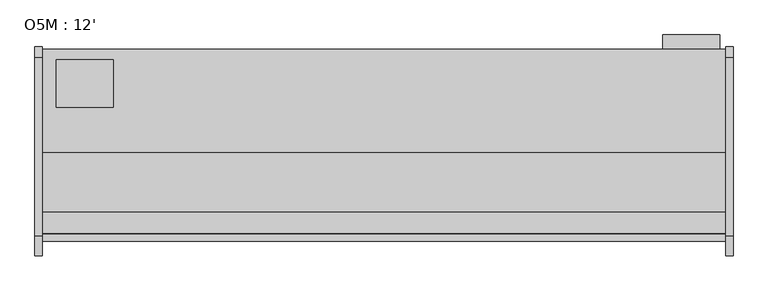
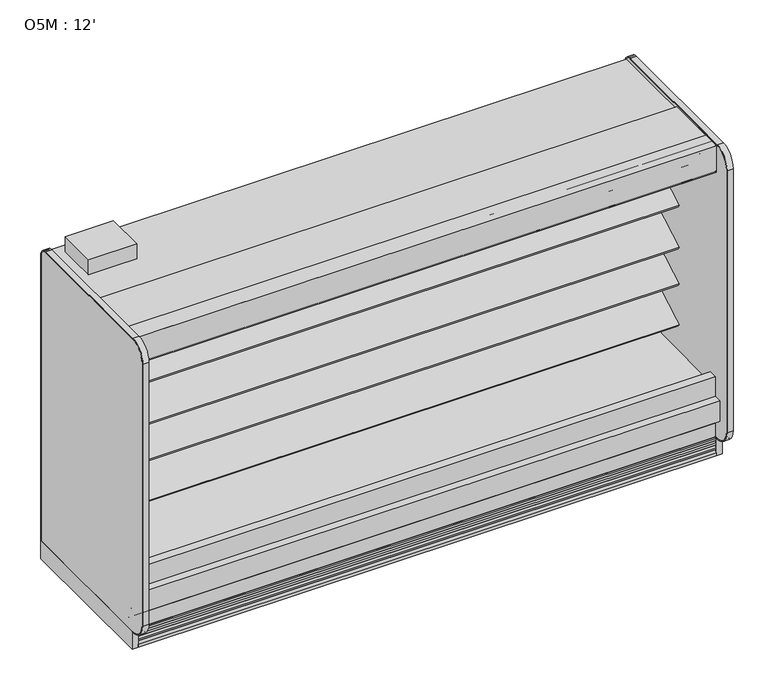
"""IFC4 building model written with IfcOpenShell, lengths in millimetres: proxy geometry, O5M : 12'."""

from ifc_helpers import new_model, si_unit, point, frame, frame_2d, origin, origin_with_axes, place, context, project, spatial, polyline, circle_curve, trimmed, segment, composite_curve, outline, extrude, faceted_brep, source, transform, mapped, element, save
from ifc_brep_helpers import plane_surface, cylinder_surface, revolved_surface, advanced_brep


def o5m_12_23f2ca45(model_context):
    return source(origin(), model_context, "Body", "SolidModel", [
        extrude(outline(polyline([(3624.4746572, -325.3089273), (3624.4746572, -401.5089273), (3319.6156609, -401.5089273), (3319.6156609, -325.3089273), (3624.4746572, -325.3089273)])), frame((0.0, 0.0, 487.7641214), z_axis=(0.0, 0.0, 1.0), x_axis=(1.0, 0.0, 0.0)), (0.0, 0.0, 1.0), 1371.6),
        extrude(outline(polyline([(381.0, -458.6589273), (381.0, -712.6589273), (76.2, -712.6589273), (76.2, -458.6589273), (381.0, -458.6589273)])), frame((0.0, 0.0, 2053.8264246), z_axis=(0.0, 0.0, 1.0), x_axis=(1.0, 0.0, 0.0)), (0.0, 0.0, 1.0), 101.6),
        extrude(outline(composite_curve([segment(polyline([(-1223.3628541, 1962.3210235), (-1255.895115, 1950.4802489)]), True, "CONTINUOUS"), segment(trimmed(circle_curve(frame_2d((-1256.3757176, 1951.8006938)), 1.4051881), [point((-1255.895115, 1950.4802489))], [point((-1256.9695758, 1950.5271609))], False, "CARTESIAN"), True, "CONTINUOUS"), segment(polyline([(-1256.9695758, 1950.5271609), (-1280.8329852, 1961.6548515)]), True, "CONTINUOUS"), segment(trimmed(circle_curve(frame_2d((-1281.445949, 1960.3403465)), 1.4503958), [point((-1280.8329852, 1961.6548515))], [point((-1281.7308358, 1961.7624883))], True, "CARTESIAN"), True, "CONTINUOUS"), segment(polyline([(-1281.7308358, 1961.7624883), (-1385.7279137, 1933.8965553), (-1386.0503089, 1932.9043249), (-1386.0503089, 1919.5570618), (-1386.9647089, 1919.5570618), (-1386.9647089, 1903.1893853)]), True, "CONTINUOUS"), segment(trimmed(circle_curve(frame_2d((-1385.3772089, 1903.1893853)), 1.5875), [point((-1386.9647089, 1903.1893853))], [point((-1385.8940483, 1901.6883745))], True, "CARTESIAN"), True, "CONTINUOUS"), segment(polyline([(-1385.8940483, 1901.6883745), (-1375.7025605, 1898.1791638)]), True, "CONTINUOUS"), segment(trimmed(circle_curve(frame_2d((-1375.1857211, 1899.6801746)), 1.5875), [point((-1375.7025605, 1898.1791638))], [point((-1374.0631891, 1898.5576426))], True, "CARTESIAN"), True, "CONTINUOUS"), segment(polyline([(-1374.0631891, 1898.5576426), (-1370.6686523, 1901.9521794), (-1370.1043685, 1901.3878956), (-1373.6142806, 1898.1085254)]), True, "CONTINUOUS"), segment(trimmed(circle_curve(frame_2d((-1375.1856584, 1899.6799031)), 2.2222637), [point((-1373.6142806, 1898.1085254))], [point((-1375.9092963, 1897.5787596))], False, "CARTESIAN"), True, "CONTINUOUS"), segment(polyline([(-1375.9092963, 1897.5787596), (-1386.1540366, 1901.1070681)]), True, "CONTINUOUS"), segment(trimmed(circle_curve(frame_2d((-1385.3772089, 1903.1893853)), 2.2225), [point((-1386.1540366, 1901.1070681))], [point((-1387.5997089, 1903.1893853))], False, "CARTESIAN"), True, "CONTINUOUS"), segment(polyline([(-1387.5997089, 1903.1893853), (-1387.5997089, 2005.4901368), (-1352.415, 2053.8264246), (-1280.5248155, 2053.8264246), (-1280.5248155, 2003.6360246), (-1220.831024, 2003.6360246), (-1220.831024, 1914.23035)]), True, "CONTINUOUS"), segment(trimmed(circle_curve(frame_2d((-1218.9441858, 1914.23035)), 1.8868382), [point((-1220.831024, 1914.23035))], [point((-1219.3143335, 1912.3801746))], True, "CARTESIAN"), True, "CONTINUOUS"), segment(polyline([(-1219.3143335, 1912.3801746), (-1211.3098155, 1912.3801746), (-1211.3098155, 1911.5761369), (-1220.1967179, 1911.5761369)]), True, "CONTINUOUS"), segment(trimmed(circle_curve(frame_2d((-1220.1967179, 1913.8074915)), 2.2313546), [point((-1220.1967179, 1911.5761369))], [point((-1222.4223155, 1913.9676746))], False, "CARTESIAN"), True, "CONTINUOUS"), segment(polyline([(-1222.4223155, 1913.9676746), (-1222.4223155, 1917.7806084), (-1223.2619623, 1917.5556257), (-1229.5259839, 1917.5556257), (-1229.5259839, 1918.4700257), (-1223.4631915, 1918.4700257), (-1222.7791089, 1918.864981), (-1222.7791089, 1961.9122807)]), True, "CONTINUOUS"), segment(trimmed(circle_curve(frame_2d((-1223.2140839, 1961.9122807)), 0.434975), [point((-1222.7791089, 1961.9122807))], [point((-1223.3628541, 1962.3210235))], True, "CARTESIAN"), True, "CONTINUOUS")], self_intersect=False)), frame((0.0, 0.0, 0.0), z_axis=(1.0, 0.0, 0.0), x_axis=(0.0, 1.0, 0.0)), (0.0, 0.0, 1.0), 3657.6),
        extrude(outline(composite_curve([segment(polyline([(-1272.4996089, 2072.8764246), (-1272.4996089, 2072.0890246), (-1386.8059589, 2072.0890246)]), True, "CONTINUOUS"), segment(trimmed(circle_curve(frame_2d((-1386.8059589, 2071.2952746)), 0.79375), [point((-1386.8059589, 2072.0890246))], [point((-1387.5997089, 2071.2952746))], True, "CARTESIAN"), True, "CONTINUOUS"), segment(polyline([(-1387.5997089, 2071.2952746), (-1387.5997089, 1896.6893246)]), True, "CONTINUOUS"), segment(trimmed(circle_curve(frame_2d((-1386.8059589, 1896.6893246)), 0.79375), [point((-1387.5997089, 1896.6893246))], [point((-1386.8059589, 1895.8955746))], True, "CARTESIAN"), True, "CONTINUOUS"), segment(polyline([(-1386.8059589, 1895.8955746), (-1363.7745089, 1895.8955746)]), True, "CONTINUOUS"), segment(trimmed(circle_curve(frame_2d((-1363.7745089, 1896.6893246)), 0.79375), [point((-1363.7745089, 1895.8955746))], [point((-1362.9807589, 1896.6893246))], True, "CARTESIAN"), True, "CONTINUOUS"), segment(polyline([(-1362.9807589, 1896.6893246), (-1362.9807589, 1907.8081746), (-1362.1933589, 1907.8081746), (-1362.1933589, 1896.6893246)]), True, "CONTINUOUS"), segment(trimmed(circle_curve(frame_2d((-1363.7745089, 1896.6893246)), 1.58115), [point((-1362.1933589, 1896.6893246))], [point((-1363.7745089, 1895.1081746))], False, "CARTESIAN"), True, "CONTINUOUS"), segment(polyline([(-1363.7745089, 1895.1081746), (-1386.8059589, 1895.1081746)]), True, "CONTINUOUS"), segment(trimmed(circle_curve(frame_2d((-1386.8059589, 1896.6893246)), 1.58115), [point((-1386.8059589, 1895.1081746))], [point((-1388.3871089, 1896.6893246))], False, "CARTESIAN"), True, "CONTINUOUS"), segment(polyline([(-1388.3871089, 1896.6893246), (-1388.3871089, 2071.2952746)]), True, "CONTINUOUS"), segment(trimmed(circle_curve(frame_2d((-1386.8059589, 2071.2952746)), 1.58115), [point((-1388.3871089, 2071.2952746))], [point((-1386.8059589, 2072.8764246))], False, "CARTESIAN"), True, "CONTINUOUS"), segment(polyline([(-1386.8059589, 2072.8764246), (-1272.4996089, 2072.8764246)]), True, "CONTINUOUS")], self_intersect=False)), frame((0.0, 0.0, 0.0), z_axis=(1.0, 0.0, 0.0), x_axis=(0.0, 1.0, 0.0)), (0.0, 0.0, 1.0), 3657.6),
        extrude(outline(composite_curve([segment(trimmed(circle_curve(frame_2d((3458.1213661, -1128.5839273)), 12.7), [point((3445.4213661, -1128.5839273))], [point((3470.8213661, -1128.5839273))], False, "CARTESIAN"), True, "CONTINUOUS"), segment(trimmed(circle_curve(frame_2d((3458.1213661, -1128.5839273)), 12.7), [point((3470.8213661, -1128.5839273))], [point((3445.4213661, -1128.5839273))], False, "CARTESIAN"), True, "CONTINUOUS")], self_intersect=False)), frame((0.0, 0.0, 66.7090149), z_axis=(0.0, 0.0, 1.0), x_axis=(1.0, 0.0, 0.0)), (0.0, 0.0, 1.0), 57.1159851),
        extrude(outline(composite_curve([segment(trimmed(circle_curve(frame_2d((3408.6446927, -1128.5839273)), 9.525), [point((3399.1196927, -1128.5839273))], [point((3418.1696927, -1128.5839273))], False, "CARTESIAN"), True, "CONTINUOUS"), segment(trimmed(circle_curve(frame_2d((3408.6446927, -1128.5839273)), 9.525), [point((3418.1696927, -1128.5839273))], [point((3399.1196927, -1128.5839273))], False, "CARTESIAN"), True, "CONTINUOUS")], self_intersect=False)), frame((0.0, 0.0, 66.7090149), z_axis=(0.0, 0.0, 1.0), x_axis=(1.0, 0.0, 0.0)), (0.0, 0.0, 1.0), 57.1159851),
        extrude(outline(composite_curve([segment(polyline([(-504.9331995, 1155.9321635), (-504.9331995, 1090.8241822), (-525.0625548, 1079.2024935)]), True, "CONTINUOUS"), segment(trimmed(circle_curve(frame_2d((-538.1347002, 1100.9804414)), 25.4), [point((-525.0625548, 1079.2024935))], [point((-542.0987552, 1075.8916737))], False, "CARTESIAN"), True, "CONTINUOUS"), segment(polyline([(-542.0987552, 1075.8916737), (-564.7817265, 1079.47561)]), True, "CONTINUOUS"), segment(trimmed(circle_curve(frame_2d((-574.6918641, 1016.7536906)), 63.5), [point((-564.7817265, 1079.47561))], [point((-599.3555643, 1075.2682349))], True, "CARTESIAN"), True, "CONTINUOUS"), segment(polyline([(-599.3555643, 1075.2682349), (-848.9833062, 958.5086882), (-851.9929005, 960.7439055), (-975.1938258, 889.6138181), (-982.3058258, 901.9321635), (-542.3649207, 1155.9321635), (-504.9331995, 1155.9321635)]), True, "CONTINUOUS")], self_intersect=False)), frame((0.0, 0.0, 0.0), z_axis=(1.0, 0.0, 0.0), x_axis=(0.0, 1.0, 0.0)), (0.0, 0.0, 1.0), 3657.6),
        extrude(outline(composite_curve([segment(polyline([(-504.9331995, 883.8140898), (-504.9331995, 818.7061085), (-525.0625548, 807.0844198)]), True, "CONTINUOUS"), segment(trimmed(circle_curve(frame_2d((-538.1347002, 828.8623677)), 25.4), [point((-525.0625548, 807.0844198))], [point((-542.0987552, 803.7736))], False, "CARTESIAN"), True, "CONTINUOUS"), segment(polyline([(-542.0987552, 803.7736), (-564.7817265, 807.3575363)]), True, "CONTINUOUS"), segment(trimmed(circle_curve(frame_2d((-574.6918641, 744.6356169)), 63.5), [point((-564.7817265, 807.3575363))], [point((-599.3555643, 803.1501612))], True, "CARTESIAN"), True, "CONTINUOUS"), segment(polyline([(-599.3555643, 803.1501612), (-848.9833062, 686.3906146), (-851.9929005, 688.6258319), (-975.1938258, 617.4957444), (-982.3058258, 629.8140898), (-542.3649207, 883.8140898), (-504.9331995, 883.8140898)]), True, "CONTINUOUS")], self_intersect=False)), frame((0.0, 0.0, 0.0), z_axis=(1.0, 0.0, 0.0), x_axis=(0.0, 1.0, 0.0)), (0.0, 0.0, 1.0), 3657.6),
        extrude(outline(composite_curve([segment(polyline([(-504.9331995, 1400.2899942), (-504.9331995, 1335.182013), (-525.0625548, 1323.5603243)]), True, "CONTINUOUS"), segment(trimmed(circle_curve(frame_2d((-538.1347002, 1345.3382722)), 25.4), [point((-525.0625548, 1323.5603243))], [point((-542.0987552, 1320.2495044))], False, "CARTESIAN"), True, "CONTINUOUS"), segment(polyline([(-542.0987552, 1320.2495044), (-564.7817265, 1323.8334408)]), True, "CONTINUOUS"), segment(trimmed(circle_curve(frame_2d((-574.6918641, 1261.1115214)), 63.5), [point((-564.7817265, 1323.8334408))], [point((-599.3555643, 1319.6260657))], True, "CARTESIAN"), True, "CONTINUOUS"), segment(polyline([(-599.3555643, 1319.6260657), (-848.9833062, 1202.866519), (-851.9929005, 1205.1017363), (-975.1938258, 1133.9716489), (-982.3058258, 1146.2899942), (-542.3649207, 1400.2899942), (-504.9331995, 1400.2899942)]), True, "CONTINUOUS")], self_intersect=False)), frame((0.0, 0.0, 0.0), z_axis=(1.0, 0.0, 0.0), x_axis=(0.0, 1.0, 0.0)), (0.0, 0.0, 1.0), 3657.6),
        extrude(outline(polyline([(711.2, -1346.7911816), (403.225, -1346.7911816), (403.225, -1249.5865659), (711.2, -1249.5865659), (711.2, -1346.7911816)])), frame((0.0, 0.0, 53.2186364), z_axis=(0.0, 0.0, 1.0), x_axis=(1.0, 0.0, 0.0)), (0.0, 0.0, 1.0), 9.8914),
        faceted_brep([(3657.6, -1207.9589273, 130.175), (3657.6, -1275.0830824, 130.175), (3657.6, -1369.8839273, 206.7143253), (3657.6, -1369.8839273, 10.9768116), (3657.6, -1207.9589273, 10.9768116), (0.0, -1207.9589273, 130.175), (0.0, -1207.9589273, 10.9768116), (0.0, -1369.8839273, 10.9768116), (0.0, -1369.8839273, 206.7143253), (0.0, -1275.0830824, 130.175), (711.2, -1346.7911816, 10.9768116), (711.2, -1249.5865659, 10.9768116), (403.225, -1249.5865659, 10.9768116), (403.225, -1346.7911816, 10.9768116), (711.2, -1346.7911816, 63.1100364), (403.225, -1346.7911816, 63.1100364), (403.225, -1249.5865659, 63.1100364), (711.2, -1249.5865659, 63.1100364)], [[[0, 1, 2, 3, 4]], [[5, 6, 7, 8, 9]], [[1, 0, 5, 9]], [[2, 1, 9, 8]], [[3, 2, 8, 7]], [[4, 3, 7, 6], [10, 11, 12, 13]], [[0, 4, 6, 5]], [[14, 15, 16, 17]], [[14, 17, 11, 10]], [[17, 16, 12, 11]], [[16, 15, 13, 12]], [[15, 14, 10, 13]]]),
        extrude(outline(composite_curve([segment(trimmed(circle_curve(frame_2d((368.3, 3578.0090336)), 12.7), [point((368.3, 3590.7090336))], [point((368.3, 3565.3090336))], False, "CARTESIAN"), True, "CONTINUOUS"), segment(trimmed(circle_curve(frame_2d((368.3, 3578.0090336)), 12.7), [point((368.3, 3565.3090336))], [point((368.3, 3590.7090336))], False, "CARTESIAN"), True, "CONTINUOUS")], self_intersect=False)), frame((0.0, -447.5561252, 0.0), z_axis=(0.0, 1.0, 0.0), x_axis=(0.0, 0.0, 1.0)), (0.0, 0.0, 1.0), 52.3971979),
        extrude(outline(composite_curve([segment(trimmed(circle_curve(frame_2d((368.3, 3539.5972115)), 9.525), [point((368.3, 3549.1222115))], [point((368.3, 3530.0722115))], False, "CARTESIAN"), True, "CONTINUOUS"), segment(trimmed(circle_curve(frame_2d((368.3, 3539.5972115)), 9.525), [point((368.3, 3530.0722115))], [point((368.3, 3549.1222115))], False, "CARTESIAN"), True, "CONTINUOUS")], self_intersect=False)), frame((0.0, -447.5561252, 0.0), z_axis=(0.0, 1.0, 0.0), x_axis=(0.0, 0.0, 1.0)), (0.0, 0.0, 1.0), 52.3971979),
        extrude(outline(composite_curve([segment(polyline([(-451.7851762, 2003.6360246), (-451.7851762, 404.745884), (-504.9331995, 404.745884), (-504.9331995, 1926.7316344)]), True, "CONTINUOUS"), segment(trimmed(circle_curve(frame_2d((-530.2144075, 1924.2779595)), 25.4), [point((-504.9331995, 1926.7316344))], [point((-530.1770065, 1949.6779319))], True, "CARTESIAN"), True, "CONTINUOUS"), segment(polyline([(-530.1770065, 1949.6779319), (-1117.9341687, 1949.6779319), (-1117.9341687, 1918.6360743)]), True, "CONTINUOUS"), segment(trimmed(circle_curve(frame_2d((-1120.1564596, 1918.6360743)), 2.2222909), [point((-1117.9341687, 1918.6360743))], [point((-1120.1564596, 1916.4137834))], False, "CARTESIAN"), True, "CONTINUOUS"), segment(polyline([(-1120.1564596, 1916.4137834), (-1129.6207909, 1916.4137834)]), True, "CONTINUOUS"), segment(trimmed(circle_curve(frame_2d((-1129.6207909, 1916.7312834)), 0.3175), [point((-1129.6207909, 1916.4137834))], [point((-1129.6207909, 1917.0487834))], False, "CARTESIAN"), True, "CONTINUOUS"), segment(polyline([(-1129.6207909, 1917.0487834), (-1120.1566687, 1917.0487834)]), True, "CONTINUOUS"), segment(trimmed(circle_curve(frame_2d((-1120.1566687, 1918.6362834)), 1.5875), [point((-1120.1566687, 1917.0487834))], [point((-1118.5691687, 1918.6362834))], True, "CARTESIAN"), True, "CONTINUOUS"), segment(polyline([(-1118.5691687, 1918.6362834), (-1118.5691687, 1942.4487846), (-1220.1998155, 1942.4487846), (-1220.1998155, 1918.6362834)]), True, "CONTINUOUS"), segment(trimmed(circle_curve(frame_2d((-1218.6123155, 1918.6362834)), 1.5875), [point((-1220.1998155, 1918.6362834))], [point((-1218.6123155, 1917.0487834))], True, "CARTESIAN"), True, "CONTINUOUS"), segment(polyline([(-1218.6123155, 1917.0487834), (-1209.9959099, 1917.0487834)]), True, "CONTINUOUS"), segment(trimmed(circle_curve(frame_2d((-1209.9959099, 1916.7312834)), 0.3175), [point((-1209.9959099, 1917.0487834))], [point((-1209.9959099, 1916.4137834))], False, "CARTESIAN"), True, "CONTINUOUS"), segment(polyline([(-1209.9959099, 1916.4137834), (-1218.6125246, 1916.4137834)]), True, "CONTINUOUS"), segment(trimmed(circle_curve(frame_2d((-1218.6125246, 1918.6360743)), 2.2222909), [point((-1218.6125246, 1916.4137834))], [point((-1220.8348155, 1918.6362834))], False, "CARTESIAN"), True, "CONTINUOUS"), segment(polyline([(-1220.8348155, 1918.6362834), (-1220.8268179, 2003.6360246), (-451.7851762, 2003.6360246)]), True, "CONTINUOUS")], self_intersect=False)), frame((0.0, 0.0, 0.0), z_axis=(1.0, 0.0, 0.0), x_axis=(0.0, 1.0, 0.0)), (0.0, 0.0, 1.0), 3657.6),
        advanced_brep(
        [(3657.6, -1428.7889874, 391.24255), (3657.6, -1428.7889874, 254.2724833), (3657.6, -1275.0830824, 130.175), (3657.6, -401.5089273, 130.175), (3657.6, -401.5089273, 2053.8264246), (3657.6, -1280.5248155, 2053.8264246), (3657.6, -1280.5248155, 2003.6360246), (3657.6, -451.7851762, 2003.6360246), (3657.6, -451.7851762, 363.9695251), (3657.6, -599.5014929, 211.662363), (3657.6, -1043.5931205, 195.6779213), (3657.6, -1096.7050237, 157.095884), (3657.6, -1163.5210307, 157.095884), (3657.6, -1221.5656168, 189.2720563), (3657.6, -1379.2843872, 341.5792153), (3657.6, -1379.2843872, 391.24255), (0.0, -1428.7889874, 391.24255), (0.0, -1379.2843872, 391.24255), (0.0, -1379.2843872, 341.5792153), (0.0, -1221.5656168, 189.2720563), (0.0, -1163.5210307, 157.095884), (0.0, -1096.7050237, 157.095884), (0.0, -1043.5931205, 195.6779213), (0.0, -599.5014929, 211.662363), (0.0, -451.7851762, 363.9695251), (0.0, -451.7851762, 2003.6360246), (0.0, -1280.5248155, 2003.6360246), (0.0, -1280.5248155, 2053.8264246), (0.0, -401.5089273, 2053.8264246), (0.0, -401.5089273, 130.175), (0.0, -1275.0830824, 130.175), (0.0, -1428.7889874, 254.2724833), (3556.0, -401.5089273, 317.5), (3556.0, -401.5089273, 419.1), (3556.0, -447.5561252, 317.5), (3556.0, -447.5561252, 419.1)],
        [
            (0, 1),
            (1, 2),
            (2, 3),
            (3, 4),
            (4, 5),
            (5, 6),
            (6, 7),
            (7, 8),
            (8, 9, circle_curve(frame((3657.6, -605.0132276, 364.7934683), z_axis=(-1.0, 0.0, 0.0), x_axis=(0.0, 1.0, 0.0)), 153.2302667)),
            (9, 10),
            (10, 11),
            (11, 12),
            (12, 13),
            (13, 14, circle_curve(frame((3657.6, -1226.8843872, 341.5792153), z_axis=(-1.0, 0.0, 0.0), x_axis=(0.0, 1.0, 0.0)), 152.4)),
            (14, 15),
            (15, 0),
            (16, 17),
            (17, 18),
            (18, 19, circle_curve(frame((0.0, -1226.8843872, 341.5792153), z_axis=(1.0, 0.0, 0.0), x_axis=(0.0, 1.0, 0.0)), 152.4)),
            (19, 20),
            (20, 21),
            (21, 22),
            (22, 23),
            (23, 24, circle_curve(frame((0.0, -605.0132276, 364.7934683), z_axis=(1.0, 0.0, 0.0), x_axis=(0.0, 1.0, 0.0)), 153.2302667)),
            (24, 25),
            (25, 26),
            (26, 27),
            (27, 28),
            (28, 29),
            (29, 30),
            (30, 31),
            (31, 16),
            (0, 16),
            (31, 1),
            (30, 2),
            (29, 3),
            (28, 4),
            (32, 33, circle_curve(frame((3556.0, -401.5089273, 368.3), z_axis=(0.0, -1.0, 0.0), x_axis=(0.0, 0.0, 1.0)), 50.8)),
            (33, 32, circle_curve(frame((3556.0, -401.5089273, 368.3), z_axis=(0.0, -1.0, 0.0), x_axis=(0.0, 0.0, 1.0)), 50.8)),
            (27, 5),
            (26, 6),
            (25, 7),
            (24, 8),
            (23, 9),
            (22, 10),
            (21, 11),
            (20, 12),
            (19, 13),
            (18, 14),
            (17, 15),
            (34, 35, circle_curve(frame((3556.0, -447.5561252, 368.3), z_axis=(0.0, 1.0, 0.0), x_axis=(0.0, 0.0, 1.0)), 50.8)),
            (35, 34, circle_curve(frame((3556.0, -447.5561252, 368.3), z_axis=(0.0, 1.0, 0.0), x_axis=(0.0, 0.0, 1.0)), 50.8)),
            (35, 33),
            (32, 34),
        ],
        [
            plane_surface(frame((3657.6, -1428.7889874, 254.2724833), z_axis=(1.0, 0.0, 0.0), x_axis=(0.0, 0.0, -1.0))),
            plane_surface(frame((0.0, -1428.7889874, 254.2724833), z_axis=(-1.0, 0.0, 0.0), x_axis=(0.0, 0.0, 1.0))),
            plane_surface(frame((3657.6, -1428.7889874, 391.24255), z_axis=(0.0, -1.0, 0.0), x_axis=(-1.0, 0.0, 0.0))),
            plane_surface(frame((3657.6, -1428.7889874, 254.2724833), z_axis=(0.0, -0.6281851642637378, -0.7780638787393622), x_axis=(-1.0, 0.0, 0.0))),
            plane_surface(frame((3657.6, -1275.0830824, 130.175), z_axis=(0.0, 0.0, -1.0), x_axis=(-1.0, 0.0, 0.0))),
            plane_surface(frame((3657.6, -401.5089273, 130.175), z_axis=(0.0, 1.0, 0.0), x_axis=(-1.0, 0.0, 0.0))),
            plane_surface(frame((3657.6, -401.5089273, 2053.8264246), z_axis=(0.0, 0.0, 1.0), x_axis=(-1.0, 0.0, 0.0))),
            plane_surface(frame((3657.6, -1280.5248155, 2053.8264246), z_axis=(0.0, -1.0, 0.0), x_axis=(-1.0, 0.0, 0.0))),
            plane_surface(frame((3657.6, -1280.5248155, 2003.6360246), z_axis=(0.0, 0.0, -1.0), x_axis=(-1.0, 0.0, 0.0))),
            plane_surface(frame((3657.6, -451.7851762, 2003.6360246), z_axis=(0.0, -1.0, 0.0), x_axis=(-1.0, 0.0, 0.0))),
            revolved_surface(polyline([(0.0, -451.78296090000003, 364.7934683), (3657.6, -451.78296090000003, 364.7934683)]), (0.0, -605.0132276, 364.7934683), (-1.0, 0.0, 0.0)),
            plane_surface(frame((3657.6, -599.5014929, 211.662363), z_axis=(0.0, -0.035970274152171335, 0.9993528602938092), x_axis=(-1.0, 0.0, 0.0))),
            plane_surface(frame((3657.6, -1043.5931205, 195.6779213), z_axis=(0.0, -0.5877252382160976, 0.8090605937529224), x_axis=(-1.0, 0.0, 0.0))),
            plane_surface(frame((3657.6, -1096.7050237, 157.095884), z_axis=(0.0, 0.0, 1.0), x_axis=(-1.0, 0.0, 0.0))),
            plane_surface(frame((3657.6, -1163.5210307, 157.095884), z_axis=(0.0, 0.48482728759131516, 0.8746099137368889), x_axis=(-1.0, 0.0, 0.0))),
            revolved_surface(polyline([(0.0, -1074.4843872, 341.5792153), (3657.6, -1074.4843872, 341.5792153)]), (0.0, -1226.8843872, 341.5792153), (-1.0, 0.0, 0.0)),
            plane_surface(frame((3657.6, -1379.2843872, 341.5792153), z_axis=(0.0, 1.0, 0.0), x_axis=(-1.0, 0.0, 0.0))),
            plane_surface(frame((3657.6, -1379.2843872, 391.24255), z_axis=(0.0, 0.0, 1.0), x_axis=(-1.0, 0.0, 0.0))),
            plane_surface(frame((3556.0, -447.5561252, 419.1), z_axis=(0.0, 1.0, 0.0), x_axis=(-1.0, 0.0, 0.0))),
            revolved_surface(polyline([(3556.0, -447.5561252, 419.1), (3556.0, -401.5089273, 419.1)]), (3556.0, -401.5089273, 368.3), (0.0, -1.0, 0.0)),
        ],
        [
            (0, [[1, 2, 3, 4, 5, 6, 7, 8, 9, 10, 11, 12, 13, 14, 15, 16]]),
            (1, [[17, 18, 19, 20, 21, 22, 23, 24, 25, 26, 27, 28, 29, 30, 31, 32]]),
            (2, [[-1, 33, -32, 34]]),
            (3, [[-2, -34, -31, 35]]),
            (4, [[-3, -35, -30, 36]]),
            (5, [[-4, -36, -29, 37], [38, 39]]),
            (6, [[-5, -37, -28, 40]]),
            (7, [[-6, -40, -27, 41]]),
            (8, [[-7, -41, -26, 42]]),
            (9, [[-8, -42, -25, 43]]),
            (10, [[-9, -43, -24, 44]]),
            (11, [[-10, -44, -23, 45]]),
            (12, [[-11, -45, -22, 46]]),
            (13, [[-12, -46, -21, 47]]),
            (14, [[-13, -47, -20, 48]]),
            (15, [[-14, -48, -19, 49]]),
            (16, [[-15, -49, -18, 50]]),
            (17, [[-16, -50, -17, -33]]),
            (18, [[51, 52]]),
            (19, [[-52, 53, -38, 54]]),
            (19, [[-51, -54, -39, -53]]),
        ],
    ),
        advanced_brep(
        [(3657.6, -1221.5656168, 189.2720563), (3657.6, -1163.5210307, 157.095884), (3657.6, -1096.7050237, 157.095884), (3657.6, -1043.5931205, 195.6779213), (3657.6, -599.5014929, 211.662363), (3657.6, -451.7851762, 363.9695251), (3657.6, -451.7851762, 404.745884), (3657.6, -504.9543965, 404.745884), (3657.6, -504.9543965, 468.8781737), (3657.6, -516.6398058, 457.951581), (3657.6, -611.5826347, 451.2993262), (3657.6, -611.5826347, 459.5548668), (3657.6, -1324.1043965, 447.1177532), (3657.6, -1324.1043965, 521.1947919), (3657.6, -1379.2843872, 521.1947919), (3657.6, -1379.2843872, 341.5792153), (0.0, -1221.5656168, 189.2720563), (0.0, -1379.2843872, 341.5792153), (0.0, -1379.2843872, 521.1947919), (0.0, -1324.1043965, 521.1947919), (0.0, -1324.1043965, 447.1177532), (0.0, -611.5826347, 459.5548668), (0.0, -611.5826347, 451.2993262), (0.0, -516.6285003, 457.9391661), (0.0, -504.9543965, 468.8781737), (0.0, -504.9543965, 404.745884), (0.0, -451.7851762, 404.745884), (0.0, -451.7851762, 363.9695251), (0.0, -599.5014929, 211.662363), (0.0, -1043.5931205, 195.6779213), (0.0, -1096.7050237, 157.095884), (0.0, -1163.5210307, 157.095884)],
        [
            (0, 1),
            (1, 2),
            (2, 3),
            (3, 4),
            (4, 5, circle_curve(frame((3657.6, -605.0132276, 364.7934683), z_axis=(1.0, 0.0, 0.0), x_axis=(0.0, 1.0, 0.0)), 153.2302667)),
            (5, 6),
            (6, 7),
            (7, 8),
            (8, 9, circle_curve(frame((3657.6, -517.5249667, 470.6099714), z_axis=(-1.0, 0.0, 0.0), x_axis=(0.0, 1.0, 0.0)), 12.689301)),
            (9, 10),
            (10, 11),
            (11, 12),
            (12, 13),
            (13, 14),
            (14, 15),
            (15, 0, circle_curve(frame((3657.6, -1226.8843872, 341.5792153), z_axis=(1.0, 0.0, 0.0), x_axis=(0.0, 1.0, 0.0)), 152.4)),
            (16, 17, circle_curve(frame((0.0, -1226.8843872, 341.5792153), z_axis=(-1.0, 0.0, 0.0), x_axis=(0.0, 1.0, 0.0)), 152.4)),
            (17, 18),
            (18, 19),
            (19, 20),
            (20, 21),
            (21, 22),
            (22, 23),
            (23, 24, circle_curve(frame((0.0, -517.5249667, 470.6099714), z_axis=(1.0, 0.0, 0.0), x_axis=(0.0, 1.0, 0.0)), 12.689301)),
            (24, 25),
            (25, 26),
            (26, 27),
            (27, 28, circle_curve(frame((0.0, -605.0132276, 364.7934683), z_axis=(-1.0, 0.0, 0.0), x_axis=(0.0, 1.0, 0.0)), 153.2302667)),
            (28, 29),
            (29, 30),
            (30, 31),
            (31, 16),
            (14, 18),
            (17, 15),
            (16, 0),
            (31, 1),
            (30, 2),
            (29, 3),
            (28, 4),
            (27, 5),
            (26, 6),
            (25, 7),
            (24, 8),
            (23, 9),
            (22, 10),
            (21, 11),
            (20, 12),
            (19, 13),
        ],
        [
            plane_surface(frame((3657.6, -1221.5656168, 189.2720563), z_axis=(1.0, 0.0, 0.0), x_axis=(0.0, 0.8746099137368883, -0.48482728759131605))),
            plane_surface(frame((0.0, -1221.5656168, 189.2720563), z_axis=(-1.0, 0.0, 0.0), x_axis=(0.0, -0.8746099137368883, 0.48482728759131605))),
            plane_surface(frame((3657.6, -1379.2843872, 521.1947919), z_axis=(0.0, -1.0, 0.0), x_axis=(-1.0, 0.0, 0.0))),
            cylinder_surface(frame((0.0, -1226.8843872, 341.5792153), z_axis=(1.0, 0.0, 0.0), x_axis=(0.0, 1.0, 0.0)), 152.4),
            plane_surface(frame((3657.6, -1221.5656168, 189.2720563), z_axis=(0.0, -0.48482728759131605, -0.8746099137368883), x_axis=(-1.0, 0.0, 0.0))),
            plane_surface(frame((3657.6, -1163.5210307, 157.095884), z_axis=(0.0, 0.0, -1.0), x_axis=(-1.0, 0.0, 0.0))),
            plane_surface(frame((3657.6, -1096.7050237, 157.095884), z_axis=(0.0, 0.5877252382160976, -0.8090605937529224), x_axis=(-1.0, 0.0, 0.0))),
            plane_surface(frame((3657.6, -1043.5931205, 195.6779213), z_axis=(0.0, 0.03597027415217135, -0.9993528602938092), x_axis=(-1.0, 0.0, 0.0))),
            cylinder_surface(frame((0.0, -605.0132276, 364.7934683), z_axis=(1.0, 0.0, 0.0), x_axis=(0.0, 1.0, 0.0)), 153.2302667),
            plane_surface(frame((3657.6, -451.7851762, 363.9695251), z_axis=(0.0, 1.0, 0.0), x_axis=(-1.0, 0.0, 0.0))),
            plane_surface(frame((3657.6, -451.7851762, 404.745884), z_axis=(0.0, 0.0, 1.0), x_axis=(-1.0, 0.0, 0.0))),
            plane_surface(frame((3657.6, -504.9543965, 404.745884), z_axis=(0.0, 1.0, 0.0), x_axis=(-1.0, 0.0, 0.0))),
            revolved_surface(polyline([(0.0, -504.83566570000005, 470.6099714), (3657.6, -504.83566570000005, 470.6099714)]), (0.0, -517.5249667, 470.6099714), (-1.0, 0.0, 0.0)),
            plane_surface(frame((3657.6, -516.6285003, 457.9391661), z_axis=(0.0, -0.06975647369769093, 0.9975640502630714), x_axis=(-1.0, 0.0, 0.0))),
            plane_surface(frame((3657.6, -611.5826347, 451.2993262), z_axis=(0.0, 1.0, 0.0), x_axis=(-1.0, 0.0, 0.0))),
            plane_surface(frame((3657.6, -611.5826347, 459.5548668), z_axis=(0.0, -0.017452406437283387, 0.9998476951563913), x_axis=(-1.0, 0.0, 0.0))),
            plane_surface(frame((3657.6, -1324.1043965, 447.1177532), z_axis=(0.0, 1.0, 0.0), x_axis=(-1.0, 0.0, 0.0))),
            plane_surface(frame((3657.6, -1324.1043965, 521.1947919), z_axis=(0.0, 0.0, 1.0), x_axis=(-1.0, 0.0, 0.0))),
        ],
        [
            (0, [[1, 2, 3, 4, 5, 6, 7, 8, 9, 10, 11, 12, 13, 14, 15, 16]]),
            (1, [[17, 18, 19, 20, 21, 22, 23, 24, 25, 26, 27, 28, 29, 30, 31, 32]]),
            (2, [[-15, 33, -18, 34]]),
            (3, [[-16, -34, -17, 35]]),
            (4, [[-1, -35, -32, 36]]),
            (5, [[-2, -36, -31, 37]]),
            (6, [[-3, -37, -30, 38]]),
            (7, [[-4, -38, -29, 39]]),
            (8, [[-5, -39, -28, 40]]),
            (9, [[-6, -40, -27, 41]]),
            (10, [[-7, -41, -26, 42]]),
            (11, [[-8, -42, -25, 43]]),
            (12, [[-9, -43, -24, 44]]),
            (13, [[-10, -44, -23, 45]]),
            (14, [[-11, -45, -22, 46]]),
            (15, [[-12, -46, -21, 47]]),
            (16, [[-13, -47, -20, 48]]),
            (17, [[-14, -48, -19, -33]]),
        ],
    ),
        extrude(outline(composite_curve([segment(trimmed(circle_curve(frame_2d((1828.8, -1128.5839273)), 38.1), [point((1790.7, -1128.5839273))], [point((1866.9, -1128.5839273))], False, "CARTESIAN"), True, "CONTINUOUS"), segment(trimmed(circle_curve(frame_2d((1828.8, -1128.5839273)), 38.1), [point((1866.9, -1128.5839273))], [point((1790.7, -1128.5839273))], False, "CARTESIAN"), True, "CONTINUOUS")], self_intersect=False)), frame((0.0, 0.0, 66.7090149), z_axis=(0.0, 0.0, 1.0), x_axis=(1.0, 0.0, 0.0)), (0.0, 0.0, 1.0), 57.1159851),
        advanced_brep(
        [(3657.6, -401.5089273, 0.0), (3657.6, -401.5089273, 130.175), (3657.6, -1207.9589273, 130.175), (3657.6, -1207.9589273, 0.0), (3657.6, -1161.1594273, 0.0), (3657.6, -1161.1594273, 74.8810382), (3657.6, -446.7209273, 74.8810382), (3657.6, -446.7209273, 0.0), (0.0, -401.5089273, 0.0), (0.0, -446.7209273, 0.0), (0.0, -446.7209273, 74.8810382), (0.0, -1161.1594273, 74.8810382), (0.0, -1161.1594273, 0.0), (0.0, -1207.9589273, 0.0), (0.0, -1207.9589273, 130.175), (0.0, -401.5089273, 130.175), (1789.8195331, -1161.1594273, 0.0), (1867.7804669, -1161.1594273, 0.0), (3395.5259568, -1161.1594273, 0.0), (3475.1740432, -1161.1594273, 0.0), (3475.1740432, -1161.1594273, 74.8810382), (1789.8195331, -1161.1594273, 74.8810382), (1867.7804669, -1161.1594273, 74.8810382), (3395.5259568, -1161.1594273, 74.8810382), (3486.15, -1129.6207909, 74.8810382), (3384.55, -1129.6207909, 74.8810382), (1879.6, -1128.5839273, 74.8810382), (1778.0, -1128.5839273, 74.8810382), (1778.0, -1128.5839273, 123.825), (1879.6, -1128.5839273, 123.825), (3384.55, -1129.6207909, 123.825), (3486.15, -1129.6207909, 123.825)],
        [
            (0, 1),
            (1, 2),
            (2, 3),
            (3, 4),
            (4, 5),
            (5, 6),
            (6, 7),
            (7, 0),
            (8, 9),
            (9, 10),
            (10, 11),
            (11, 12),
            (12, 13),
            (13, 14),
            (14, 15),
            (15, 8),
            (0, 8),
            (15, 1),
            (14, 2),
            (13, 3),
            (12, 16),
            (16, 17, circle_curve(frame((1828.8, -1128.5839273, 0.0), z_axis=(0.0, 0.0, 1.0), x_axis=(1.0, 0.0, 0.0)), 50.8)),
            (17, 18),
            (18, 19, circle_curve(frame((3435.35, -1129.6207909, 0.0), z_axis=(0.0, 0.0, 1.0), x_axis=(1.0, 0.0, 0.0)), 50.8)),
            (19, 4),
            (19, 20),
            (20, 5),
            (11, 21),
            (21, 16),
            (17, 22),
            (22, 23),
            (23, 18),
            (20, 24, circle_curve(frame((3435.35, -1129.6207909, 74.8810382), z_axis=(0.0, 0.0, 1.0), x_axis=(1.0, 0.0, 0.0)), 50.8)),
            (24, 25, circle_curve(frame((3435.35, -1129.6207909, 74.8810382), z_axis=(0.0, 0.0, 1.0), x_axis=(1.0, 0.0, 0.0)), 50.8)),
            (25, 23, circle_curve(frame((3435.35, -1129.6207909, 74.8810382), z_axis=(0.0, 0.0, 1.0), x_axis=(1.0, 0.0, 0.0)), 50.8)),
            (22, 26, circle_curve(frame((1828.8, -1128.5839273, 74.8810382), z_axis=(0.0, 0.0, 1.0), x_axis=(1.0, 0.0, 0.0)), 50.8)),
            (26, 27, circle_curve(frame((1828.8, -1128.5839273, 74.8810382), z_axis=(0.0, 0.0, 1.0), x_axis=(1.0, 0.0, 0.0)), 50.8)),
            (27, 21, circle_curve(frame((1828.8, -1128.5839273, 74.8810382), z_axis=(0.0, 0.0, 1.0), x_axis=(1.0, 0.0, 0.0)), 50.8)),
            (10, 6),
            (9, 7),
            (28, 29, circle_curve(frame((1828.8, -1128.5839273, 123.825), z_axis=(0.0, 0.0, -1.0), x_axis=(1.0, 0.0, 0.0)), 50.8)),
            (29, 28, circle_curve(frame((1828.8, -1128.5839273, 123.825), z_axis=(0.0, 0.0, -1.0), x_axis=(1.0, 0.0, 0.0)), 50.8)),
            (29, 26),
            (27, 28),
            (30, 31, circle_curve(frame((3435.35, -1129.6207909, 123.825), z_axis=(0.0, 0.0, -1.0), x_axis=(1.0, 0.0, 0.0)), 50.8)),
            (31, 30, circle_curve(frame((3435.35, -1129.6207909, 123.825), z_axis=(0.0, 0.0, -1.0), x_axis=(1.0, 0.0, 0.0)), 50.8)),
            (31, 24),
            (25, 30),
        ],
        [
            plane_surface(frame((3657.6, -401.5089273, 1893.5715584), z_axis=(1.0, 0.0, 0.0), x_axis=(0.0, 0.0, 1.0))),
            plane_surface(frame((0.0, -401.5089273, 1893.5715584), z_axis=(-1.0, 0.0, 0.0), x_axis=(0.0, 0.0, -1.0))),
            plane_surface(frame((3657.6, -401.5089273, 0.0), z_axis=(0.0, 1.0, 0.0), x_axis=(-1.0, 0.0, 0.0))),
            plane_surface(frame((3657.6, -401.5089273, 130.175), z_axis=(0.0, 0.0, 1.0), x_axis=(-1.0, 0.0, 0.0))),
            plane_surface(frame((3657.6, -1207.9589273, 130.175), z_axis=(0.0, -1.0, 0.0), x_axis=(-1.0, 0.0, 0.0))),
            plane_surface(frame((3657.6, -1207.9589273, 0.0), z_axis=(0.0, 0.0, -1.0), x_axis=(-1.0, 0.0, 0.0))),
            plane_surface(frame((3657.6, -1161.1594273, 0.0), z_axis=(0.0, 1.0, 0.0), x_axis=(-1.0, 0.0, 0.0))),
            plane_surface(frame((3657.6, -1161.1594273, 74.8810382), z_axis=(0.0, 0.0, -1.0), x_axis=(-1.0, 0.0, 0.0))),
            plane_surface(frame((3657.6, -446.7209273, 74.8810382), z_axis=(0.0, -1.0, 0.0), x_axis=(-1.0, 0.0, 0.0))),
            plane_surface(frame((3657.6, -446.7209273, 0.0), z_axis=(0.0, 0.0, -1.0), x_axis=(-1.0, 0.0, 0.0))),
            plane_surface(frame((1879.6, -1128.5839273, 123.825), z_axis=(0.0, 0.0, -1.0), x_axis=(0.0, 1.0, 0.0))),
            revolved_surface(polyline([(1879.6, -1128.5839273, 123.825), (1879.6, -1128.5839273, 0.0)]), (1828.8, -1128.5839273, 0.0), (0.0, 0.0, 1.0)),
            revolved_surface(polyline([(1879.6, -1128.5839273, 123.825), (1879.6, -1128.5839273, 74.8810382)]), (1828.8, -1128.5839273, 0.0), (0.0, 0.0, 1.0)),
            plane_surface(frame((3486.15, -1129.6207909, 123.825), z_axis=(0.0, 0.0, -1.0), x_axis=(0.0, 1.0, 0.0))),
            revolved_surface(polyline([(3486.15, -1129.6207909, 123.825), (3486.15, -1129.6207909, 0.0)]), (3435.35, -1129.6207909, 0.0), (0.0, 0.0, 1.0)),
            revolved_surface(polyline([(3486.15, -1129.6207909, 123.825), (3486.15, -1129.6207909, 74.8810382)]), (3435.35, -1129.6207909, 0.0), (0.0, 0.0, 1.0)),
        ],
        [
            (0, [[1, 2, 3, 4, 5, 6, 7, 8]]),
            (1, [[9, 10, 11, 12, 13, 14, 15, 16]]),
            (2, [[-1, 17, -16, 18]]),
            (3, [[-2, -18, -15, 19]]),
            (4, [[-3, -19, -14, 20]]),
            (5, [[-4, -20, -13, 21, 22, 23, 24, 25]]),
            (6, [[-5, -25, 26, 27]]),
            (6, [[-12, 28, 29, -21]]),
            (6, [[30, 31, 32, -23]]),
            (7, [[-6, -27, 33, 34, 35, -31, 36, 37, 38, -28, -11, 39]]),
            (8, [[-7, -39, -10, 40]]),
            (9, [[-8, -40, -9, -17]]),
            (10, [[41, 42]]),
            (11, [[-42, 43, -36, -30, -22, -29, -38, 44]]),
            (12, [[-41, -44, -37, -43]]),
            (13, [[45, 46]]),
            (14, [[-46, 47, -33, -26, -24, -32, -35, 48]]),
            (15, [[-45, -48, -34, -47]]),
        ],
    ),
        extrude(outline(composite_curve([segment(trimmed(circle_curve(frame_2d((-1218.6123155, 1918.6362834)), 1.5875), [point((-1218.6123155, 1917.0487834))], [point((-1220.1998155, 1918.6362834))], False, "CARTESIAN"), True, "CONTINUOUS"), segment(polyline([(-1220.1998155, 1918.6362834), (-1220.1998155, 1942.4487846), (-1118.5691687, 1942.4487846), (-1118.5691687, 1918.6362834)]), True, "CONTINUOUS"), segment(trimmed(circle_curve(frame_2d((-1120.1566687, 1918.6362834)), 1.5875), [point((-1118.5691687, 1918.6362834))], [point((-1120.1566687, 1917.0487834))], False, "CARTESIAN"), True, "CONTINUOUS"), segment(polyline([(-1120.1566687, 1917.0487834), (-1218.6123155, 1917.0487834)]), True, "CONTINUOUS")], self_intersect=False)), frame((0.0, 0.0, 0.0), z_axis=(1.0, 0.0, 0.0), x_axis=(0.0, 1.0, 0.0)), (0.0, 0.0, 1.0), 3657.6),
        extrude(outline(polyline([(-1260.1538424, 2053.8264246), (-1352.415, 2053.8264246), (-1352.415, 2057.4078246), (-1340.985, 2068.5076246), (-1340.985, 2072.0890246), (-956.175, 2072.0890246), (-956.175, 2053.8264246), (-1260.1538424, 2053.8264246)])), frame((0.0, 0.0, 0.0), z_axis=(1.0, 0.0, 0.0), x_axis=(0.0, 1.0, 0.0)), (0.0, 0.0, 1.0), 3657.6),
        extrude(outline(composite_curve([segment(trimmed(circle_curve(frame_2d((-1298.9553786, 1930.8429522)), 14.2875), [point((-1312.5435985, 1926.4278719))], [point((-1285.3671586, 1935.2580325))], False, "CARTESIAN"), True, "CONTINUOUS"), segment(trimmed(circle_curve(frame_2d((-1298.9553786, 1930.8429522)), 14.2875), [point((-1285.3671586, 1935.2580325))], [point((-1312.5435985, 1926.4278719))], False, "CARTESIAN"), True, "CONTINUOUS")], self_intersect=False)), frame((0.0, 0.0, 0.0), z_axis=(1.0, 0.0, 0.0), x_axis=(0.0, 1.0, 0.0)), (0.0, 0.0, 1.0), 3657.6),
        extrude(outline(composite_curve([segment(trimmed(circle_curve(frame_2d((-1341.9928007, 1917.4125439)), 14.2875), [point((-1355.5810207, 1912.9974636))], [point((-1328.4045807, 1921.8276242))], False, "CARTESIAN"), True, "CONTINUOUS"), segment(trimmed(circle_curve(frame_2d((-1341.9928007, 1917.4125439)), 14.2875), [point((-1328.4045807, 1921.8276242))], [point((-1355.5810207, 1912.9974636))], False, "CARTESIAN"), True, "CONTINUOUS")], self_intersect=False)), frame((0.0, 0.0, 0.0), z_axis=(1.0, 0.0, 0.0), x_axis=(0.0, 1.0, 0.0)), (0.0, 0.0, 1.0), 3657.6),
        extrude(outline(composite_curve([segment(polyline([(-504.9331995, 1681.5641214), (-504.9331995, 1616.4561401), (-525.0625548, 1604.8344514)]), True, "CONTINUOUS"), segment(trimmed(circle_curve(frame_2d((-538.1347002, 1626.6123993)), 25.4), [point((-525.0625548, 1604.8344514))], [point((-542.0987552, 1601.5236316))], False, "CARTESIAN"), True, "CONTINUOUS"), segment(polyline([(-542.0987552, 1601.5236316), (-564.7817265, 1605.1075679)]), True, "CONTINUOUS"), segment(trimmed(circle_curve(frame_2d((-574.6918641, 1542.3856485)), 63.5), [point((-564.7817265, 1605.1075679))], [point((-599.3555643, 1600.9001928))], True, "CARTESIAN"), True, "CONTINUOUS"), segment(polyline([(-599.3555643, 1600.9001928), (-848.9833062, 1484.1406462), (-851.9929005, 1486.3758635), (-975.1938258, 1415.245776), (-982.3058258, 1427.5641214), (-542.3649207, 1681.5641214), (-504.9331995, 1681.5641214)]), True, "CONTINUOUS")], self_intersect=False)), frame((0.0, 0.0, 0.0), z_axis=(1.0, 0.0, 0.0), x_axis=(0.0, 1.0, 0.0)), (0.0, 0.0, 1.0), 3657.6),
        extrude(outline(composite_curve([segment(polyline([(-1369.8839273, 206.7143253), (-1369.8839273, 0.0), (-1388.9339273, 0.0), (-1388.9339273, 21.4927595)]), True, "CONTINUOUS"), segment(trimmed(circle_curve(frame_2d((-1389.2433986, 35.0385724)), 13.5493476), [point((-1388.9339273, 21.4927595))], [point((-1376.3135203, 30.9885022))], True, "CARTESIAN"), True, "CONTINUOUS"), segment(polyline([(-1376.3135203, 30.9885022), (-1373.1694807, 42.2520535), (-1383.8066759, 40.0942307), (-1385.8005759, 40.0942307), (-1385.8005759, 52.7942307)]), True, "CONTINUOUS"), segment(trimmed(circle_curve(frame_2d((-1390.2184437, 66.2963779)), 14.2065314), [point((-1385.8005759, 52.7942307))], [point((-1376.6585778, 62.0589765))], True, "CARTESIAN"), True, "CONTINUOUS"), segment(polyline([(-1376.6585778, 62.0589765), (-1373.1694807, 73.2242366), (-1383.8066759, 71.0664138), (-1385.8005759, 71.0664138), (-1385.8005759, 83.7664138)]), True, "CONTINUOUS"), segment(trimmed(circle_curve(frame_2d((-1390.290819, 97.3399774)), 14.2969897), [point((-1385.8005759, 83.7664138))], [point((-1376.6585778, 93.0311596))], True, "CARTESIAN"), True, "CONTINUOUS"), segment(polyline([(-1376.6585778, 93.0311596), (-1373.1694807, 104.0699677), (-1383.8066759, 102.0387838), (-1385.8005759, 102.0387838), (-1385.8005759, 114.7387838)]), True, "CONTINUOUS"), segment(trimmed(circle_curve(frame_2d((-1385.2028113, 125.7034438)), 10.9809422), [point((-1385.8005759, 114.7387838))], [point((-1377.4170772, 117.9598377))], True, "CARTESIAN"), True, "CONTINUOUS"), segment(polyline([(-1377.4170772, 117.9598377), (-1377.4170772, 121.5911682), (-1377.4170772, 212.796362), (-1369.8839273, 206.7143253)]), True, "CONTINUOUS")], self_intersect=False)), frame((0.0, 0.0, 0.0), z_axis=(1.0, 0.0, 0.0), x_axis=(0.0, 1.0, 0.0)), (0.0, 0.0, 1.0), 3657.6),
        extrude(outline(composite_curve([segment(polyline([(-1500.0589273, 225.425), (-1500.0589273, 1978.025)]), True, "CONTINUOUS"), segment(trimmed(circle_curve(frame_2d((-1398.4589273, 1978.025)), 101.6), [point((-1500.0589273, 1978.025))], [point((-1398.4589273, 2079.625))], False, "CARTESIAN"), True, "CONTINUOUS"), segment(polyline([(-1398.4589273, 2079.625), (-445.9589273, 2079.625)]), True, "CONTINUOUS"), segment(trimmed(circle_curve(frame_2d((-445.9589273, 2028.825)), 50.8), [point((-445.9589273, 2079.625))], [point((-395.1589273, 2028.825))], False, "CARTESIAN"), True, "CONTINUOUS"), segment(polyline([(-395.1589273, 2028.825), (-395.1589273, 123.825), (-1398.4589273, 123.825)]), True, "CONTINUOUS"), segment(trimmed(circle_curve(frame_2d((-1398.4589273, 225.425)), 101.6), [point((-1398.4589273, 123.825))], [point((-1500.0589273, 225.425))], False, "CARTESIAN"), True, "CONTINUOUS")], self_intersect=False)), frame((3657.6, 0.0, 0.0), z_axis=(1.0, 0.0, 0.0), x_axis=(0.0, 1.0, 0.0)), (0.0, 0.0, 1.0), 38.1),
        extrude(outline(composite_curve([segment(trimmed(circle_curve(frame_2d((-1398.4589273, 225.425)), 101.6), [point((-1500.0589273, 225.425))], [point((-1398.4589273, 123.825))], True, "CARTESIAN"), True, "CONTINUOUS"), segment(polyline([(-1398.4589273, 123.825), (-1388.9339273, 123.825), (-1388.9339273, 117.8960417)]), True, "CONTINUOUS"), segment(trimmed(circle_curve(frame_2d((-1398.0513921, 225.6230886)), 108.1121862), [point((-1388.9339273, 117.8960417))], [point((-1506.1635784, 225.6230886))], False, "CARTESIAN"), True, "CONTINUOUS"), segment(polyline([(-1506.1635784, 225.6230886), (-1506.1635784, 1978.061088)]), True, "CONTINUOUS"), segment(trimmed(circle_curve(frame_2d((-1398.3127971, 1978.061088)), 107.8507812), [point((-1506.1635784, 1978.061088))], [point((-1398.3127971, 2085.9118693))], False, "CARTESIAN"), True, "CONTINUOUS"), segment(polyline([(-1398.3127971, 2085.9118693), (-445.947449, 2085.9118693)]), True, "CONTINUOUS"), segment(trimmed(circle_curve(frame_2d((-445.947449, 2028.7963042)), 57.1155651), [point((-445.947449, 2085.9118693))], [point((-388.8318839, 2028.7963042))], False, "CARTESIAN"), True, "CONTINUOUS"), segment(polyline([(-388.8318839, 2028.7963042), (-388.8318839, 123.825), (-395.1589273, 123.825), (-395.1589273, 2028.825)]), True, "CONTINUOUS"), segment(trimmed(circle_curve(frame_2d((-445.9589273, 2028.825)), 50.8), [point((-395.1589273, 2028.825))], [point((-445.9589273, 2079.625))], True, "CARTESIAN"), True, "CONTINUOUS"), segment(polyline([(-445.9589273, 2079.625), (-1398.4589273, 2079.625)]), True, "CONTINUOUS"), segment(trimmed(circle_curve(frame_2d((-1398.4589273, 1978.025)), 101.6), [point((-1398.4589273, 2079.625))], [point((-1500.0589273, 1978.025))], True, "CARTESIAN"), True, "CONTINUOUS"), segment(polyline([(-1500.0589273, 1978.025), (-1500.0589273, 225.425)]), True, "CONTINUOUS")], self_intersect=False)), frame((3657.6, 0.0, 0.0), z_axis=(1.0, 0.0, 0.0), x_axis=(0.0, 1.0, 0.0)), (0.0, 0.0, 1.0), 38.1),
        extrude(outline(polyline([(3695.7, -388.8089273), (3695.7, -1388.9339273), (3657.6, -1388.9339273), (3657.6, -388.8089273), (3695.7, -388.8089273)])), origin_with_axes(), (0.0, 0.0, 1.0), 123.825),
        extrude(outline(composite_curve([segment(polyline([(-1500.0589273, 225.425), (-1500.0589273, 1978.025)]), True, "CONTINUOUS"), segment(trimmed(circle_curve(frame_2d((-1398.4589273, 1978.025)), 101.6), [point((-1500.0589273, 1978.025))], [point((-1398.4589273, 2079.625))], False, "CARTESIAN"), True, "CONTINUOUS"), segment(polyline([(-1398.4589273, 2079.625), (-445.9589273, 2079.625)]), True, "CONTINUOUS"), segment(trimmed(circle_curve(frame_2d((-445.9589273, 2028.825)), 50.8), [point((-445.9589273, 2079.625))], [point((-395.1589273, 2028.825))], False, "CARTESIAN"), True, "CONTINUOUS"), segment(polyline([(-395.1589273, 2028.825), (-395.1589273, 123.825), (-1398.4589273, 123.825)]), True, "CONTINUOUS"), segment(trimmed(circle_curve(frame_2d((-1398.4589273, 225.425)), 101.6), [point((-1398.4589273, 123.825))], [point((-1500.0589273, 225.425))], False, "CARTESIAN"), True, "CONTINUOUS")], self_intersect=False)), frame((-38.1, 0.0, 0.0), z_axis=(1.0, 0.0, 0.0), x_axis=(0.0, 1.0, 0.0)), (0.0, 0.0, 1.0), 38.1),
        extrude(outline(composite_curve([segment(trimmed(circle_curve(frame_2d((-1398.4589273, 225.425)), 101.6), [point((-1500.0589273, 225.425))], [point((-1398.4589273, 123.825))], True, "CARTESIAN"), True, "CONTINUOUS"), segment(polyline([(-1398.4589273, 123.825), (-1388.9339273, 123.825), (-1388.9339273, 117.8960417)]), True, "CONTINUOUS"), segment(trimmed(circle_curve(frame_2d((-1398.0513921, 225.6230886)), 108.1121862), [point((-1388.9339273, 117.8960417))], [point((-1506.1635784, 225.6230886))], False, "CARTESIAN"), True, "CONTINUOUS"), segment(polyline([(-1506.1635784, 225.6230886), (-1506.1635784, 1978.061088)]), True, "CONTINUOUS"), segment(trimmed(circle_curve(frame_2d((-1398.3127971, 1978.061088)), 107.8507812), [point((-1506.1635784, 1978.061088))], [point((-1398.3127971, 2085.9118693))], False, "CARTESIAN"), True, "CONTINUOUS"), segment(polyline([(-1398.3127971, 2085.9118693), (-445.947449, 2085.9118693)]), True, "CONTINUOUS"), segment(trimmed(circle_curve(frame_2d((-445.947449, 2028.7963042)), 57.1155651), [point((-445.947449, 2085.9118693))], [point((-388.8318839, 2028.7963042))], False, "CARTESIAN"), True, "CONTINUOUS"), segment(polyline([(-388.8318839, 2028.7963042), (-388.8318839, 123.825), (-395.1589273, 123.825), (-395.1589273, 2028.825)]), True, "CONTINUOUS"), segment(trimmed(circle_curve(frame_2d((-445.9589273, 2028.825)), 50.8), [point((-395.1589273, 2028.825))], [point((-445.9589273, 2079.625))], True, "CARTESIAN"), True, "CONTINUOUS"), segment(polyline([(-445.9589273, 2079.625), (-1398.4589273, 2079.625)]), True, "CONTINUOUS"), segment(trimmed(circle_curve(frame_2d((-1398.4589273, 1978.025)), 101.6), [point((-1398.4589273, 2079.625))], [point((-1500.0589273, 1978.025))], True, "CARTESIAN"), True, "CONTINUOUS"), segment(polyline([(-1500.0589273, 1978.025), (-1500.0589273, 225.425)]), True, "CONTINUOUS")], self_intersect=False)), frame((-38.1, 0.0, 0.0), z_axis=(1.0, 0.0, 0.0), x_axis=(0.0, 1.0, 0.0)), (0.0, 0.0, 1.0), 38.1),
        extrude(outline(polyline([(0.0, -388.8089273), (0.0, -1388.9339273), (-38.1, -1388.9339273), (-38.1, -388.8089273), (0.0, -388.8089273)])), origin_with_axes(), (0.0, 0.0, 1.0), 123.825),
    ])


if __name__ == "__main__":
    model = new_model("IFC4")
    model_context = context("Model", 3, world=origin())
    ifc_project = project(units=[si_unit("LENGTHUNIT", "METRE", prefix="MILLI")], contexts=[model_context])
    site = spatial("IfcSite", under=ifc_project)
    building = spatial("IfcBuilding", under=site)
    placement = place(None, origin())
    o5m_12_shape = o5m_12_23f2ca45(model_context)
    element("IfcBuildingElementProxy", 1, Name="O5M : 12'", ObjectType="O5M : 12'", at=placement, inside=building, context=model_context, shape_type="MappedRepresentation", body=[
        mapped(o5m_12_shape, transform((0.0, 0.0, 0.0), x_axis=(1.0, 0.0, 0.0), y_axis=(0.0, 1.0, 0.0), z_axis=(0.0, 0.0, 1.0))),
    ])
    save(model, "model.ifc")
